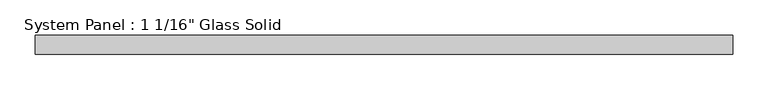
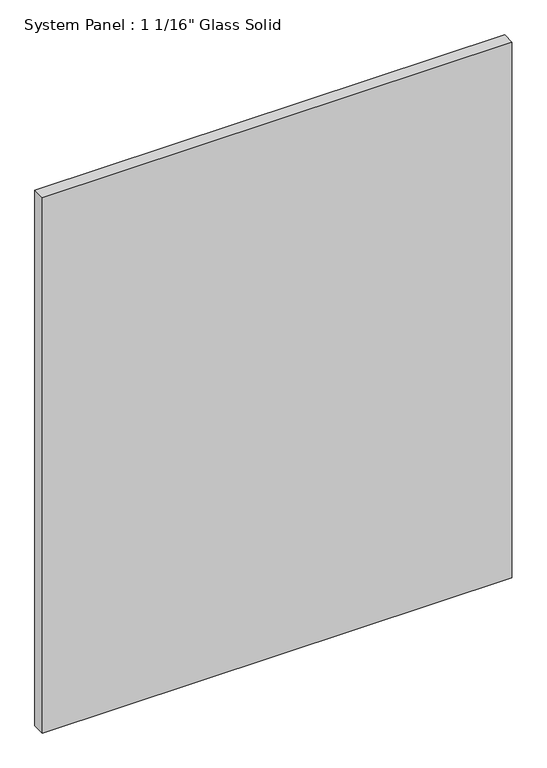
"""IFC4 building model written with IfcOpenShell, lengths in millimetres: plate geometry."""

import ifcopenshell
import ifcopenshell.guid

model = None  # the IFC model being written
_history = None  # IfcOwnerHistory: only IFC2X3 demands one
_inside = {}  # id of a spatial element -> (the spatial element, [elements in it])
_under = {}  # id of a project, library or spatial element -> (it, [spatial elements below it])
_declared = {}  # id of a project -> (the project, [libraries it declares])
_typed = {}  # id of a type object -> (the type object, [elements of that type])
_made_of = {}  # id of a material, layer set ... -> (it, [elements and type objects made of it])


def new_model(schema):
    """Start an empty IFC model of exactly this schema.

    Asked for "IFC4X3", IfcOpenShell would pick the latest addendum, in which some entities
    have other attributes; the version numbers below select the first issue.
    IFC2X3 requires an IfcOwnerHistory on every rooted entity: one is made here for all.
    """
    global model, _history
    if schema == "IFC4X3":
        model = ifcopenshell.file(schema_version=(4, 3, 0, 0))
    else:
        model = ifcopenshell.file(schema=schema)
    _inside.clear()
    _under.clear()
    _declared.clear()
    _typed.clear()
    _made_of.clear()
    _history = None
    if model.schema == "IFC2X3":
        org = make("IfcOrganization", Name="unknown")
        user = make(
            "IfcPersonAndOrganization",
            ThePerson=make("IfcPerson", FamilyName="unknown"),
            TheOrganization=org,
        )
        app = make(
            "IfcApplication",
            ApplicationDeveloper=org,
            Version="unknown",
            ApplicationFullName="unknown",
            ApplicationIdentifier="unknown",
        )
        _history = make(
            "IfcOwnerHistory",
            OwningUser=user,
            OwningApplication=app,
            ChangeAction="ADDED",
            CreationDate=0,
        )
    return model


def make(cls, **values):
    """One entity of the class cls with the attributes given. An attribute that is None is left unset."""
    return model.create_entity(
        cls, **{name: value for name, value in values.items() if value is not None}
    )


def rooted(cls, **values):
    """An entity with a GlobalId (a new one), such as an element, a storey or a relation."""
    return make(cls, GlobalId=ifcopenshell.guid.new(), OwnerHistory=_history, **values)


def si_unit(unit_type, name, prefix=None):
    """IfcSIUnit, for example si_unit("LENGTHUNIT", "METRE", prefix="MILLI")."""
    return make("IfcSIUnit", UnitType=unit_type, Prefix=prefix, Name=name)


def assignment(units):
    """IfcUnitAssignment: the units of a project."""
    return None if units is None else make("IfcUnitAssignment", Units=units)


def point(xyz):
    """IfcCartesianPoint."""
    return None if xyz is None else make("IfcCartesianPoint", Coordinates=xyz)


def direction(xyz):
    """IfcDirection."""
    return None if xyz is None else make("IfcDirection", DirectionRatios=xyz)


def frame(location, z_axis=None, x_axis=None):
    """IfcAxis2Placement3D, a coordinate frame: its origin and axes. An axis left out is left unset."""
    return make(
        "IfcAxis2Placement3D",
        Location=point(location),
        Axis=direction(z_axis),
        RefDirection=direction(x_axis),
    )


def origin():
    """The frame at (0, 0, 0) with its axes left unset."""
    return frame((0.0, 0.0, 0.0))


def origin_with_axes():
    """The frame at (0, 0, 0) with the z axis (0, 0, 1) and the x axis (1, 0, 0) written out."""
    return frame((0.0, 0.0, 0.0), z_axis=(0.0, 0.0, 1.0), x_axis=(1.0, 0.0, 0.0))


def place(relative_to, where):
    """IfcLocalPlacement: puts the frame where relative to a parent placement (None: the world)."""
    return make(
        "IfcLocalPlacement", PlacementRelTo=relative_to, RelativePlacement=where
    )


def context(
    kind, dimensions, precision=None, world=None, true_north=None, identifier=None
):
    """IfcGeometricRepresentationContext, for example the 3D "Model" context."""
    return make(
        "IfcGeometricRepresentationContext",
        ContextIdentifier=identifier,
        ContextType=kind,
        CoordinateSpaceDimension=dimensions,
        Precision=precision,
        WorldCoordinateSystem=world,
        TrueNorth=true_north,
    )


def project(units=None, contexts=None):
    """IfcProject with its units and contexts."""
    return rooted(
        "IfcProject",
        Name="project",
        RepresentationContexts=contexts,
        UnitsInContext=assignment(units),
    )


def spatial(cls, under=None, at=None, **own):
    """A site, building, storey or space (cls), placed at a placement, below another one or the project."""
    s = rooted(cls, ObjectPlacement=at, **own)
    if under is not None:
        _under.setdefault(under.id(), (under, []))[1].append(s)
    return s


def polyline(points):
    """IfcPolyline through the points."""
    return make("IfcPolyline", Points=[point(p) for p in points])


def outline(outer, holes=None, kind="AREA"):
    """IfcArbitraryClosedProfileDef: a profile drawn as a closed curve; with holes, ...WithVoids."""
    if holes is None:
        return make("IfcArbitraryClosedProfileDef", ProfileType=kind, OuterCurve=outer)
    return make(
        "IfcArbitraryProfileDefWithVoids",
        ProfileType=kind,
        OuterCurve=outer,
        InnerCurves=holes,
    )


def extrude(swept, where, along, depth):
    """IfcExtrudedAreaSolid: the profile swept, set in the frame where, extruded along a direction by depth."""
    return make(
        "IfcExtrudedAreaSolid",
        SweptArea=swept,
        Position=where,
        ExtrudedDirection=direction(along),
        Depth=depth,
    )


def shape(context_of_items, identifier, shape_type, items):
    """IfcShapeRepresentation: the items that make up one representation, for example the "Body"."""
    return make(
        "IfcShapeRepresentation",
        ContextOfItems=context_of_items,
        RepresentationIdentifier=identifier,
        RepresentationType=shape_type,
        Items=items,
    )


def source(mapping_origin, context_of_items, identifier, shape_type, items):
    """IfcRepresentationMap: a shape defined once, which mapped items show again and again."""
    return make(
        "IfcRepresentationMap",
        MappingOrigin=mapping_origin,
        MappedRepresentation=shape(context_of_items, identifier, shape_type, items),
    )


def transform(
    local_origin,
    x_axis=None,
    y_axis=None,
    z_axis=None,
    scale=None,
    scale2=None,
    scale3=None,
    uniform=True,
):
    """IfcCartesianTransformationOperator3D, or its non-uniform kind. x_axis, y_axis, z_axis: its Axis1, 2, 3."""
    if uniform:
        return make(
            "IfcCartesianTransformationOperator3D",
            Axis1=direction(x_axis),
            Axis2=direction(y_axis),
            LocalOrigin=point(local_origin),
            Scale=scale,
            Axis3=direction(z_axis),
        )
    return make(
        "IfcCartesianTransformationOperator3DnonUniform",
        Axis1=direction(x_axis),
        Axis2=direction(y_axis),
        LocalOrigin=point(local_origin),
        Scale=scale,
        Axis3=direction(z_axis),
        Scale2=scale2,
        Scale3=scale3,
    )


def mapped(mapping_source, mapping_target):
    """IfcMappedItem: shows the shape of a source again, moved by a transform."""
    return make(
        "IfcMappedItem", MappingSource=mapping_source, MappingTarget=mapping_target
    )


def made_of(thing, what):
    """Note that an element or type object is made of a material, layer set ...; save() writes the relation."""
    if what is not None:
        _made_of.setdefault(what.id(), (what, []))[1].append(thing)
    return thing


def element(
    cls,
    number,
    at=None,
    inside=None,
    cuts=None,
    type_object=None,
    material=None,
    context=None,
    identifier="Body",
    shape_type=None,
    held_by="IfcProductDefinitionShape",
    body=None,
    shapes=None,
    **own,
):
    """One element of the class cls, such as IfcWall. Its Tag is "e" and its number.

    at: its placement. inside: the storey or other place that contains it. cuts: it is an
    opening in that element (IfcRelVoidsElement). A single representation is given by context,
    identifier, shape_type and body (its items); several are given by shapes. held_by: the class
    of the entity that holds the representations. save() writes the other relations.
    """
    e = rooted(cls, Tag="e%d" % number, ObjectPlacement=at, **own)
    if body is not None:
        shapes = [shape(context, identifier, shape_type, body)]
    if shapes is not None:
        e.Representation = make(held_by, Representations=shapes)
    if inside is not None:
        _inside.setdefault(inside.id(), (inside, []))[1].append(e)
    if cuts is not None:
        rooted(
            "IfcRelVoidsElement", RelatingBuildingElement=cuts, RelatedOpeningElement=e
        )
    if type_object is not None:
        _typed.setdefault(type_object.id(), (type_object, []))[1].append(e)
    return made_of(e, material)


def aggregate(whole, parts):
    """IfcRelAggregates: a whole, such as a stair, and the parts it consists of."""
    return rooted("IfcRelAggregates", RelatingObject=whole, RelatedObjects=parts)


def save(model, path):
    """Write the relations noted so far, then the file.

    IfcRelAggregates (storeys below a building ...), IfcRelContainedInSpatialStructure (elements
    in a storey), IfcRelDefinesByType, IfcRelAssociatesMaterial and IfcRelDeclares: one each for
    every whole, place, type object, material and project.
    """
    for whole, parts in _under.values():
        aggregate(whole, parts)
    for where, things in _inside.values():
        rooted(
            "IfcRelContainedInSpatialStructure",
            RelatedElements=things,
            RelatingStructure=where,
        )
    for kind, things in _typed.values():
        rooted("IfcRelDefinesByType", RelatedObjects=things, RelatingType=kind)
    for what, things in _made_of.values():
        rooted("IfcRelAssociatesMaterial", RelatedObjects=things, RelatingMaterial=what)
    for by, libraries in _declared.values():
        rooted("IfcRelDeclares", RelatingContext=by, RelatedDefinitions=libraries)
    model.write(path)


def plate_9a3fa8e4(model_context):
    return source(origin(), model_context, "Body", "SweptSolid", [
        extrude(outline(polyline([(495.3008852, -13.49375), (-495.3008852, -13.49375), (-495.3008852, 13.49375), (495.3008852, 13.49375), (495.3008852, -13.49375)])), origin_with_axes(), (0.0, 0.0, 1.0), 1193.8017704),
    ])


if __name__ == "__main__":
    model = new_model("IFC4")
    model_context = context("Model", 3, world=origin())
    ifc_project = project(units=[si_unit("LENGTHUNIT", "METRE", prefix="MILLI")], contexts=[model_context])
    site = spatial("IfcSite", under=ifc_project)
    building = spatial("IfcBuilding", under=site)
    placement = place(None, origin())
    plate_shape = plate_9a3fa8e4(model_context)
    element("IfcPlate", 1, ObjectType="System Panel : 1 1/16\" Glass Solid", at=placement, inside=building, context=model_context, shape_type="MappedRepresentation", body=[
        mapped(plate_shape, transform((0.0, 0.0, 0.0), x_axis=(1.0, 0.0, 0.0), y_axis=(0.0, 1.0, 0.0), z_axis=(0.0, 0.0, 1.0))),
    ])
    save(model, "model.ifc")
